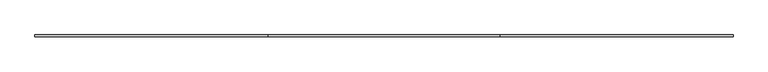
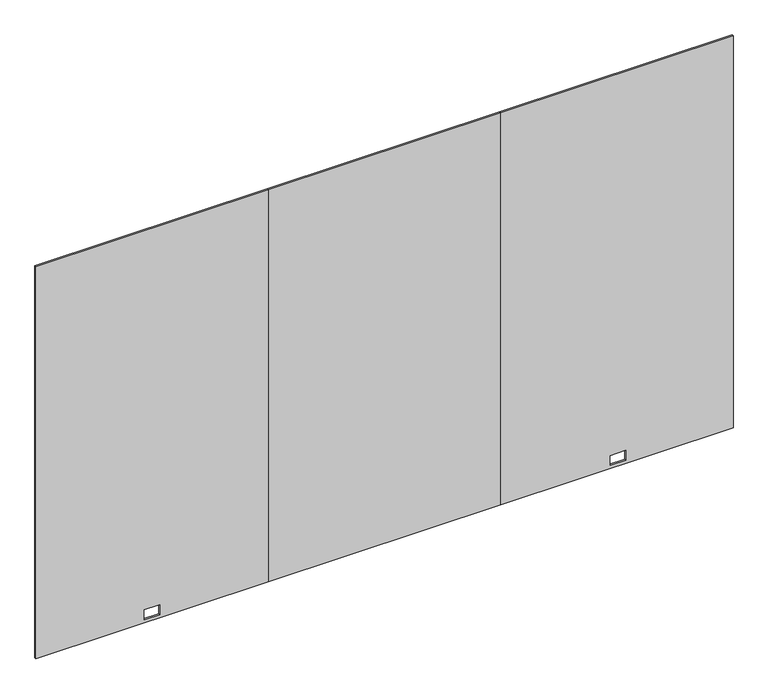
"""IFC4 building model written with IfcOpenShell, lengths in millimetres: furniture geometry."""

from ifc_helpers import new_model, si_unit, frame, origin, place, context, project, spatial, polyline, outline, extrude, source, transform, mapped, element, save


def furniture_e1538d65(model_context):
    return source(origin(), model_context, "Body", "SweptSolid", [
        extrude(outline(polyline([(12.7, 0.0), (12.7, 1219.2), (2186.3010468, 1219.2), (2186.3010468, 0.0), (12.7, 0.0)]), holes=[polyline([(29.6164, 568.4774), (83.9724, 568.4774), (83.9724, 650.7226), (29.6164, 650.7226), (29.6164, 568.4774)])]), frame((0.0, -4.7752, 0.0), z_axis=(0.0, 1.0, 0.0), x_axis=(0.0, 0.0, 1.0)), (0.0, 0.0, 1.0), 9.525),
        extrude(outline(polyline([(12.7, 2438.4), (12.7, 3657.6), (2186.3010468, 3657.6), (2186.3010468, 2438.4), (12.7, 2438.4)]), holes=[polyline([(83.9724, 3013.1631299), (83.9724, 3095.4083299), (29.6164, 3095.4083299), (29.6164, 3013.1631299), (83.9724, 3013.1631299)])]), frame((0.0, -4.7752, 0.0), z_axis=(0.0, 1.0, 0.0), x_axis=(0.0, 0.0, 1.0)), (0.0, 0.0, 1.0), 9.525),
        extrude(outline(polyline([(2438.4, -4.7752), (1219.2, -4.7752), (1219.2, 4.7498), (2438.4, 4.7498), (2438.4, -4.7752)])), frame((0.0, 0.0, 12.7), z_axis=(0.0, 0.0, 1.0), x_axis=(1.0, 0.0, 0.0)), (0.0, 0.0, 1.0), 2173.6010468),
    ])


if __name__ == "__main__":
    model = new_model("IFC4")
    model_context = context("Model", 3, world=origin())
    ifc_project = project(units=[si_unit("LENGTHUNIT", "METRE", prefix="MILLI")], contexts=[model_context])
    site = spatial("IfcSite", under=ifc_project)
    building = spatial("IfcBuilding", under=site)
    placement = place(None, origin())
    furniture_shape = furniture_e1538d65(model_context)
    element("IfcFurniture", 1, at=placement, inside=building, context=model_context, shape_type="MappedRepresentation", body=[
        mapped(furniture_shape, transform((0.0, 0.0, 0.0), x_axis=(1.0, 0.0, 0.0), y_axis=(0.0, 1.0, 0.0), z_axis=(0.0, 0.0, 1.0))),
    ])
    save(model, "model.ifc")
